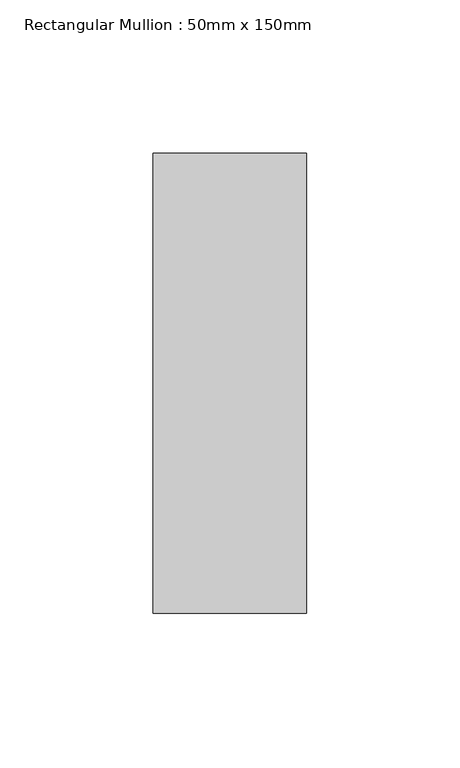
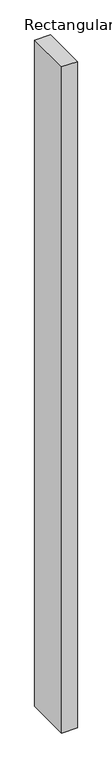
"""IFC4 building model written with IfcOpenShell, lengths in millimetres: member geometry, Rectangular Mullion : 50mm x 150mm."""

from ifc_helpers import new_model, si_unit, frame, origin, place, context, project, spatial, polyline, outline, extrude, source, transform, mapped, element, save


def rectangular_mullion_50mm_x_150mm_fe3b4b1d(model_context):
    return source(origin(), model_context, "Body", "SweptSolid", [
        extrude(outline(polyline([(25.0, 75.0), (25.0, -75.0), (-25.0, -75.0), (-25.0, 75.0), (25.0, 75.0)])), frame((0.0, 0.0, -2255.1821893), z_axis=(0.0, 0.0, 1.0), x_axis=(1.0, 0.0, 0.0)), (0.0, 0.0, 1.0), 2255.1821893),
    ])


if __name__ == "__main__":
    model = new_model("IFC4")
    model_context = context("Model", 3, world=origin())
    ifc_project = project(units=[si_unit("LENGTHUNIT", "METRE", prefix="MILLI")], contexts=[model_context])
    site = spatial("IfcSite", under=ifc_project)
    building = spatial("IfcBuilding", under=site)
    placement = place(None, origin())
    rectangular_mullion_50mm_x_150mm_shape = rectangular_mullion_50mm_x_150mm_fe3b4b1d(model_context)
    element("IfcMember", 1, ObjectType="Rectangular Mullion : 50mm x 150mm", at=placement, inside=building, context=model_context, shape_type="MappedRepresentation", body=[
        mapped(rectangular_mullion_50mm_x_150mm_shape, transform((0.0, 0.0, 0.0), x_axis=(1.0, 0.0, 0.0), y_axis=(0.0, 1.0, 0.0), z_axis=(0.0, 0.0, 1.0))),
    ])
    save(model, "model.ifc")
